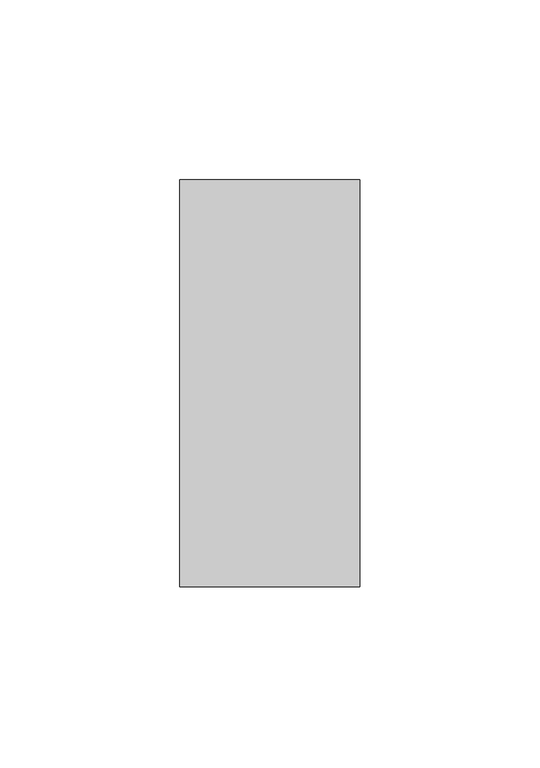
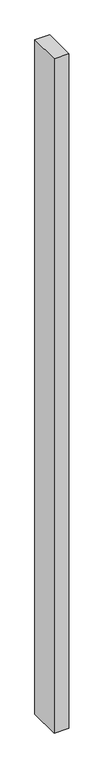
"""IFC4 building model written with IfcOpenShell, lengths in millimetres: member geometry."""

from ifc_helpers import new_model, si_unit, frame, origin, place, context, project, spatial, polyline, outline, extrude, source, transform, mapped, element, save


def member_0060177d(model_context):
    return source(origin(), model_context, "Body", "SweptSolid", [
        extrude(outline(polyline([(-25.0, -22.0), (-25.0, 91.0), (25.0, 91.0), (25.0, -22.0), (-25.0, -22.0)])), frame((0.0, 0.0, -2425.0), z_axis=(0.0, 0.0, 1.0), x_axis=(1.0, 0.0, 0.0)), (0.0, 0.0, 1.0), 2425.0),
    ])


if __name__ == "__main__":
    model = new_model("IFC4")
    model_context = context("Model", 3, world=origin())
    ifc_project = project(units=[si_unit("LENGTHUNIT", "METRE", prefix="MILLI")], contexts=[model_context])
    site = spatial("IfcSite", under=ifc_project)
    building = spatial("IfcBuilding", under=site)
    placement = place(None, origin())
    member_shape = member_0060177d(model_context)
    element("IfcMember", 1, at=placement, inside=building, context=model_context, shape_type="MappedRepresentation", body=[
        mapped(member_shape, transform((0.0, 0.0, 0.0), x_axis=(1.0, 0.0, 0.0), y_axis=(0.0, 1.0, 0.0), z_axis=(0.0, 0.0, 1.0))),
    ])
    save(model, "model.ifc")
